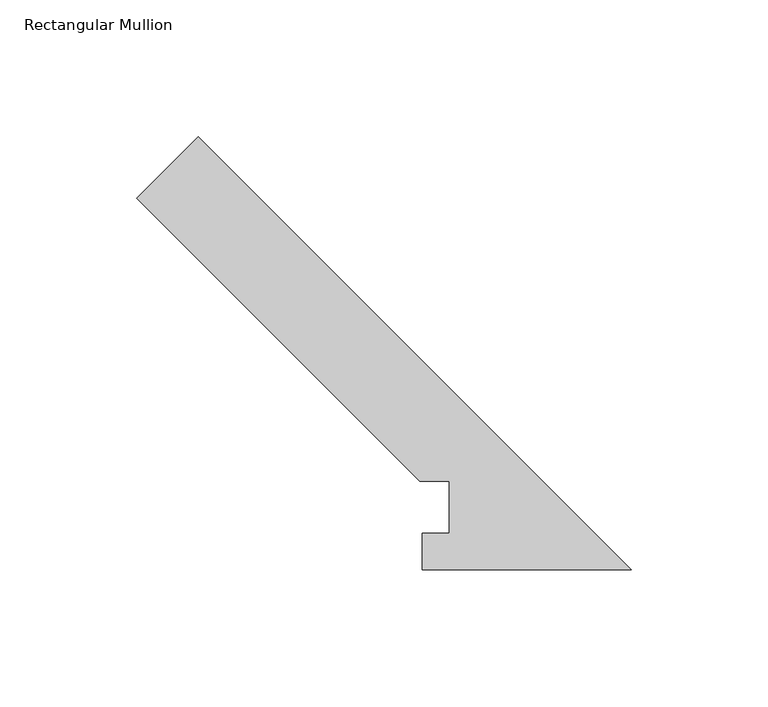
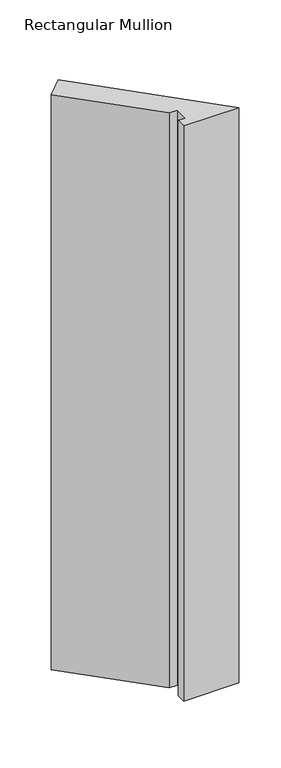
"""IFC4 building model written with IfcOpenShell, lengths in millimetres: member geometry, Rectangular Mullion."""

from ifc_helpers import new_model, si_unit, frame, origin, place, context, project, spatial, polyline, outline, extrude, source, transform, mapped, element, save


def rectangular_mullion_f7bb9ae8(model_context):
    return source(origin(), model_context, "Body", "SweptSolid", [
        extrude(outline(polyline([(-157.9703056, 157.98764), (0.0, 0.0173344), (-76.2185525, 0.0173344), (-76.2185525, 13.1903275), (-66.4696778, 13.1903275), (-66.4696778, 32.2460937), (-77.13004, 32.2460937), (-180.4209459, 135.5369997), (-157.9703056, 157.98764)])), frame((0.0, 0.0, -838.2), z_axis=(0.0, 0.0, 1.0), x_axis=(1.0, 0.0, 0.0)), (0.0, 0.0, 1.0), 838.2),
    ])


if __name__ == "__main__":
    model = new_model("IFC4")
    model_context = context("Model", 3, world=origin())
    ifc_project = project(units=[si_unit("LENGTHUNIT", "METRE", prefix="MILLI")], contexts=[model_context])
    site = spatial("IfcSite", under=ifc_project)
    building = spatial("IfcBuilding", under=site)
    placement = place(None, origin())
    rectangular_mullion_shape = rectangular_mullion_f7bb9ae8(model_context)
    element("IfcMember", 1, ObjectType="Rectangular Mullion", at=placement, inside=building, context=model_context, shape_type="MappedRepresentation", body=[
        mapped(rectangular_mullion_shape, transform((0.0, 0.0, 0.0), x_axis=(1.0, 0.0, 0.0), y_axis=(0.0, 1.0, 0.0), z_axis=(0.0, 0.0, 1.0))),
    ])
    save(model, "model.ifc")
